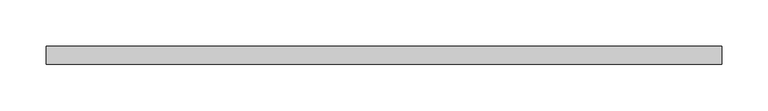
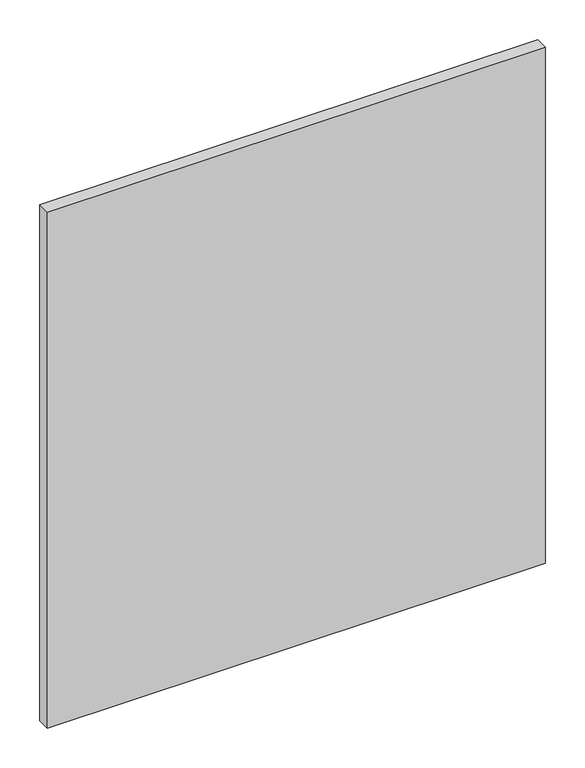
"""IFC4 building model written with IfcOpenShell, lengths in millimetres: proxy geometry."""

from ifc_helpers import new_model, si_unit, frame, origin, place, context, project, spatial, polyline, outline, extrude, source, transform, mapped, element, save


def specialty_equipment_4e67c3e2(model_context):
    return source(origin(), model_context, "Body", "SweptSolid", [
        extrude(outline(polyline([(363.2454, 0.0), (-363.2454, 0.0), (-363.2454, 19.05), (363.2454, 19.05), (363.2454, 0.0)])), frame((0.0, 0.0, 3.175), z_axis=(0.0, 0.0, 1.0), x_axis=(1.0, 0.0, 0.0)), (0.0, 0.0, 1.0), 796.0868001),
    ])


if __name__ == "__main__":
    model = new_model("IFC4")
    model_context = context("Model", 3, world=origin())
    ifc_project = project(units=[si_unit("LENGTHUNIT", "METRE", prefix="MILLI")], contexts=[model_context])
    site = spatial("IfcSite", under=ifc_project)
    building = spatial("IfcBuilding", under=site)
    placement = place(None, origin())
    specialty_equipment_shape = specialty_equipment_4e67c3e2(model_context)
    element("IfcBuildingElementProxy", 1, Name="Specialty Equipment", at=placement, inside=building, context=model_context, shape_type="MappedRepresentation", body=[
        mapped(specialty_equipment_shape, transform((0.0, 0.0, 0.0), x_axis=(1.0, 0.0, 0.0), y_axis=(0.0, 1.0, 0.0), z_axis=(0.0, 0.0, 1.0))),
    ])
    save(model, "model.ifc")
